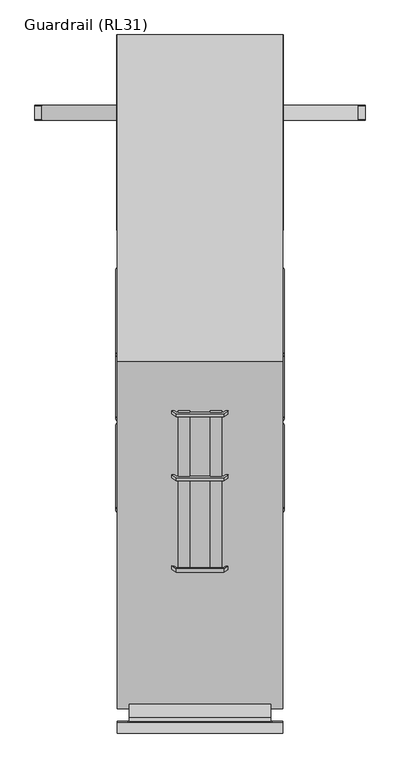
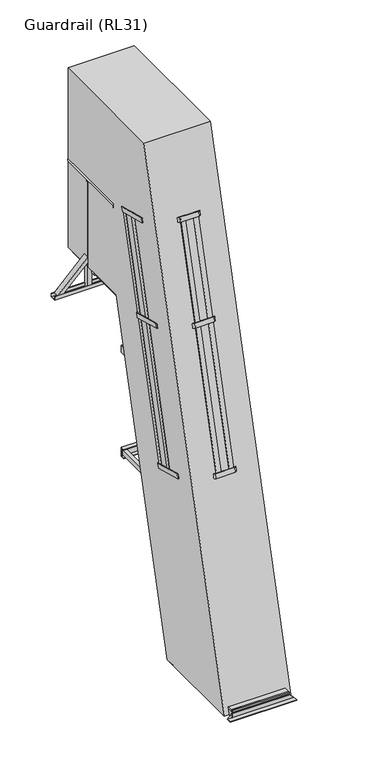
"""IFC4 building model written with IfcOpenShell, lengths in millimetres: proxy geometry, Guardrail (RL31)."""

from ifc_helpers import new_model, si_unit, point, frame, frame_2d, origin, origin_with_axes, place, context, project, spatial, polyline, circle_curve, trimmed, segment, composite_curve, outline, extrude, faceted_brep, source, transform, mapped, element, save
from ifc_brep_helpers import plane_surface, cylinder_surface, advanced_brep


def guardrail_rl31_33ffb687(model_context):
    return source(origin(), model_context, "Body", "SolidModel", [
        extrude(outline(polyline([(300.5, -1909.8221735), (-300.5, -1909.8221735), (-300.5, -909.8221735), (300.5, -909.8221735), (300.5, -1909.8221735)]), holes=[polyline([(262.5, -947.8221735), (-262.5, -947.8221735), (-262.5, -1390.8221735), (262.5, -1390.8221735), (262.5, -947.8221735)]), polyline([(262.5, -1871.8221735), (262.5, -1428.8221735), (-262.5, -1428.8221735), (-262.5, -1871.8221735), (262.5, -1871.8221735)])]), origin_with_axes(), (0.0, 0.0, 1.0), 58.0),
        faceted_brep([(-350.5, -906.8221735, 3.0), (-350.5, -909.8221735, 3.0), (-303.5, -909.8221735, 50.0), (-303.5, -906.8221735, 50.0), (350.5, -909.8221735, 3.0), (350.5, -906.8221735, 3.0), (303.5, -906.8221735, 50.0), (303.5, -909.8221735, 50.0), (350.5, -859.8221735, 0.0), (350.5, -859.8221735, 3.0), (350.5, -909.8221735, 0.0), (-350.5, -859.8221735, 0.0), (-350.5, -909.8221735, 0.0), (-350.5, -859.8221735, 3.0)], [[[0, 1, 2, 3]], [[4, 5, 6, 7]], [[8, 9, 5, 4, 10]], [[11, 12, 1, 0, 13]], [[9, 8, 11, 13]], [[5, 9, 13, 0]], [[5, 0, 3, 6]], [[6, 3, 2, 7]], [[12, 10, 4, 7, 2, 1]], [[8, 10, 12, 11]]]),
        faceted_brep([(-350.5, -1909.8221735, 3.0), (-350.5, -1912.8221735, 3.0), (-303.5, -1912.8221735, 50.0), (-303.5, -1909.8221735, 50.0), (350.5, -1912.8221735, 3.0), (350.5, -1909.8221735, 3.0), (303.5, -1909.8221735, 50.0), (303.5, -1912.8221735, 50.0), (350.5, -1959.8221735, 0.0), (350.5, -1909.8221735, 0.0), (350.5, -1959.8221735, 3.0), (-350.5, -1959.8221735, 0.0), (-350.5, -1959.8221735, 3.0), (-350.5, -1909.8221735, 0.0)], [[[0, 1, 2, 3]], [[4, 5, 6, 7]], [[8, 9, 5, 4, 10]], [[11, 12, 1, 0, 13]], [[9, 8, 11, 13]], [[9, 13, 0, 3, 6, 5]], [[6, 3, 2, 7]], [[1, 4, 7, 2]], [[10, 4, 1, 12]], [[8, 10, 12, 11]]]),
        extrude(outline(polyline([(300.5, -927.8221735), (300.5, -1891.8221735), (-300.5, -1891.8221735), (-300.5, -927.8221735), (300.5, -927.8221735)])), frame((0.0, 0.0, 58.0), z_axis=(0.0, 0.0, 1.0), x_axis=(1.0, 0.0, 0.0)), (0.0, 0.0, 1.0), 18.5),
        extrude(outline(polyline([(300.5, -1891.8221735), (300.5, -1909.8221735), (-300.5, -1909.8221735), (-300.5, -1891.8221735), (300.5, -1891.8221735)])), frame((0.0, 0.0, 58.0), z_axis=(0.0, 0.0, 1.0), x_axis=(1.0, 0.0, 0.0)), (0.0, 0.0, 1.0), 18.5),
        extrude(outline(polyline([(300.5, -909.8221735), (300.5, -927.8221735), (-300.5, -927.8221735), (-300.5, -909.8221735), (300.5, -909.8221735)])), frame((0.0, 0.0, 58.0), z_axis=(0.0, 0.0, 1.0), x_axis=(1.0, 0.0, 0.0)), (0.0, 0.0, 1.0), 18.5),
        extrude(outline(polyline([(0.0, 0.0), (50.0000001, 0.0), (50.0000001, -12.0), (0.0, -12.0), (0.0, 0.0)])), frame((-350.5, -869.7150391, 2104.1512779), z_axis=(0.0, 0.2588190451025229, 0.9659258262890678), x_axis=(0.0, 0.9659258262890678, -0.2588190451025229)), (0.0, 0.0, 1.0), 2594.2680036),
        extrude(outline(polyline([(155.141329, 0.0), (205.141329, 0.0), (205.141329, -12.0), (155.141329, -12.0), (155.141329, 0.0)])), frame((-350.5, -869.7150391, 2104.1512779), z_axis=(0.0, 0.2588190451025229, 0.9659258262890678), x_axis=(0.0, 0.9659258262890678, -0.2588190451025229)), (0.0, 0.0, 1.0), 2594.2680036),
        extrude(outline(polyline([(-689.6938017, 0.0), (-508.9999999, 0.0), (-326.6307118, -82.9303487), (-125.331423, -385.8857785), (-123.1191169, -480.465669), (-65.9701383, -566.4748818), (-70.9675427, -569.7954163), (-129.0768962, -482.3408392), (-131.2892023, -387.7609487), (-330.6777006, -87.6812588), (-510.3001578, -6.0), (-687.8821736, -6.0), (-851.4445075, -114.6792916), (-920.2481735, -278.3907082), (-914.5411146, -475.6303711), (-715.1526164, -775.710061), (-628.8173362, -814.3942877), (-570.7079827, -901.8488647), (-575.7053871, -905.1693992), (-632.8543656, -819.1601865), (-719.1896458, -780.4759598), (-920.4889347, -477.52053), (-926.2832673, -277.2646295), (-856.2739484, -110.6844828), (-689.6938017, 0.0)])), frame((-674.4464732, -521.7680377, 3557.8992312), z_axis=(0.0, 0.2588190451025229, 0.9659258262890678), x_axis=(-0.8329007332923329, 0.5345650026725305, -0.1432362607680453)), (0.0, 0.0, 1.0), 50.0),
        extrude(outline(polyline([(273.0, 0.0), (423.5, -100.0), (529.5, -270.0), (529.5, -633.7353379), (479.0, -713.7353379), (479.0, -817.0), (473.0, -817.0), (473.0, -712.0), (523.5, -632.0), (523.5, -271.7173421), (419.0965631, -104.2778679), (271.1883719, -6.0), (74.8116281, -6.0), (-73.0965631, -104.2778679), (-177.5, -271.7173421), (-177.5, -632.0), (-127.0, -712.0), (-127.0, -817.0), (-133.0, -817.0), (-133.0, -713.7353379), (-183.5, -633.7353379), (-183.5, -270.0), (-77.5, -100.0), (73.0, 0.0), (273.0, 0.0)])), frame((173.0, -1277.1992245, 2213.3363363), z_axis=(0.0, 0.2588190451025229, 0.9659258262890678), x_axis=(-1.0, 0.0, 0.0)), (0.0, 0.0, 1.0), 50.0),
        extrude(outline(polyline([(-6.613021, 0.0), (5.3869789, 0.0), (5.3869789, -50.0), (-6.613021, -50.0), (-6.613021, 0.0)])), frame((-93.1883719, -1265.0159817, 2210.0718462), z_axis=(0.0, 0.2588190451025229, 0.9659258262890678), x_axis=(0.0, 0.9659258262890678, -0.2588190451025229)), (0.0, 0.0, 1.0), 2594.2680036),
        extrude(outline(polyline([(218.7828094, 218.028353), (212.433594, 228.2110571), (254.8615277, 254.6661216), (261.2107432, 244.4834176), (218.7828094, 218.028353)])), frame((-93.1883719, -1265.0159817, 2210.0718462), z_axis=(0.0, 0.2588190451025229, 0.9659258262890678), x_axis=(0.0, 0.9659258262890678, -0.2588190451025229)), (0.0, 0.0, 1.0), 2594.2680036),
        extrude(outline(polyline([(61.2266141, 107.0986509), (88.8977348, 148.7436876), (98.8925436, 142.1026186), (71.2214228, 100.4575819), (61.2266141, 107.0986509)])), frame((-93.1883719, -1265.0159817, 2210.0718462), z_axis=(0.0, 0.2588190451025229, 0.9659258262890678), x_axis=(0.0, 0.9659258262890678, -0.2588190451025229)), (0.0, 0.0, 1.0), 2594.2680036),
        extrude(outline(polyline([(-6.613021, -186.3767438), (-6.613021, -136.3767438), (5.3869789, -136.3767438), (5.3869789, -186.3767438), (-6.613021, -186.3767438)])), frame((-93.1883719, -1265.0159817, 2210.0718462), z_axis=(0.0, 0.2588190451025229, 0.9659258262890678), x_axis=(0.0, 0.9659258262890678, -0.2588190451025229)), (0.0, 0.0, 1.0), 2594.2680036),
        extrude(outline(polyline([(218.7828094, -404.4050968), (261.2107432, -430.8601614), (254.8615277, -441.0428654), (212.433594, -414.5878009), (218.7828094, -404.4050968)])), frame((-93.1883719, -1265.0159817, 2210.0718462), z_axis=(0.0, 0.2588190451025229, 0.9659258262890678), x_axis=(0.0, 0.9659258262890678, -0.2588190451025229)), (0.0, 0.0, 1.0), 2594.2680036),
        extrude(outline(polyline([(61.2266141, -293.4753947), (71.2214228, -286.8343257), (98.8925436, -328.4793624), (88.8977348, -335.1204314), (61.2266141, -293.4753947)])), frame((-93.1883719, -1265.0159817, 2210.0718462), z_axis=(0.0, 0.2588190451025229, 0.9659258262890678), x_axis=(0.0, 0.9659258262890678, -0.2588190451025229)), (0.0, 0.0, 1.0), 2594.2680036),
        extrude(outline(polyline([(409.24565, -443.6883719), (409.24565, -431.6883719), (459.2456501, -431.6883719), (459.2456501, -443.6883719), (409.24565, -443.6883719)])), frame((-93.1883719, -1265.0159817, 2210.0718462), z_axis=(0.0, 0.2588190451025229, 0.9659258262890678), x_axis=(0.0, 0.9659258262890678, -0.2588190451025229)), (0.0, 0.0, 1.0), 2594.2680036),
        extrude(outline(polyline([(564.3869789, -443.6883719), (564.3869789, -431.6883719), (614.3869789, -431.6883719), (614.3869789, -443.6883719), (564.3869789, -443.6883719)])), frame((-93.1883719, -1265.0159817, 2210.0718462), z_axis=(0.0, 0.2588190451025229, 0.9659258262890678), x_axis=(0.0, 0.9659258262890678, -0.2588190451025229)), (0.0, 0.0, 1.0), 2594.2680036),
        extrude(outline(polyline([(-689.6938017, 0.0), (-509.0, 1e-07), (-326.6307118, -82.9303487), (-125.331423, -385.8857784), (-123.1191169, -480.465669), (-65.9701383, -566.4748818), (-70.9675427, -569.7954163), (-129.0768962, -482.3408392), (-131.2892023, -387.7609487), (-330.6777006, -87.6812587), (-510.3001578, -6.0), (-687.8821737, -5.9999999), (-851.4445076, -114.6792916), (-920.2481735, -278.3907081), (-914.5411146, -475.630371), (-715.1526164, -775.710061), (-628.8173362, -814.3942877), (-570.7079827, -901.8488647), (-575.7053871, -905.1693992), (-632.8543657, -819.1601864), (-719.1896459, -780.4759597), (-920.4889347, -477.52053), (-926.2832674, -277.2646294), (-856.2739484, -110.6844828), (-689.6938017, 0.0)])), frame((-674.4464732, -250.0080403, 4572.1213488), z_axis=(0.0, 0.2588190451025229, 0.9659258262890679), x_axis=(-0.832900733292333, 0.5345650026725305, -0.1432362607680453)), (0.0, 0.0, 1.0), 50.0),
        extrude(outline(composite_curve([segment(polyline([(-214.9717521, 3204.5035392), (-210.5718283, 3220.9242783)]), True, "CONTINUOUS"), segment(trimmed(circle_curve(frame_2d((-192.1956789, 3202.5716773)), 25.9711538), [point((-210.5718283, 3220.9242783))], [point((-167.1051661, 3209.2774213))], False, "CARTESIAN"), True, "CONTINUOUS"), segment(polyline([(-167.1051661, 3209.2774213), (-171.5050899, 3192.8566822), (-214.9717521, 3204.5035392)]), True, "CONTINUOUS")], self_intersect=False)), frame((-262.0, 0.0, 0.0), z_axis=(1.0, 0.0, 0.0), x_axis=(0.0, 1.0, 0.0)), (0.0, 0.0, 1.0), 524.0),
        extrude(outline(composite_curve([segment(polyline([(-287.9456017, 2932.1614248), (-283.545678, 2948.5821638)]), True, "CONTINUOUS"), segment(trimmed(circle_curve(frame_2d((-265.1695285, 2930.2295628)), 25.9711538), [point((-283.545678, 2948.5821638))], [point((-240.0790158, 2936.9353068))], False, "CARTESIAN"), True, "CONTINUOUS"), segment(polyline([(-240.0790158, 2936.9353068), (-244.4789395, 2920.5145677), (-287.9456017, 2932.1614248)]), True, "CONTINUOUS")], self_intersect=False)), frame((-262.0, 0.0, 0.0), z_axis=(1.0, 0.0, 0.0), x_axis=(0.0, 1.0, 0.0)), (0.0, 0.0, 1.0), 524.0),
        extrude(outline(composite_curve([segment(polyline([(-360.9194514, 2659.8193103), (-356.5195276, 2676.2400493)]), True, "CONTINUOUS"), segment(trimmed(circle_curve(frame_2d((-338.1433782, 2657.8874483)), 25.9711538), [point((-356.5195276, 2676.2400493))], [point((-313.0528654, 2664.5931923))], False, "CARTESIAN"), True, "CONTINUOUS"), segment(polyline([(-313.0528654, 2664.5931923), (-317.4527892, 2648.1724533), (-360.9194514, 2659.8193103)]), True, "CONTINUOUS")], self_intersect=False)), frame((-262.0, 0.0, 0.0), z_axis=(1.0, 0.0, 0.0), x_axis=(0.0, 1.0, 0.0)), (0.0, 0.0, 1.0), 524.0),
        extrude(outline(composite_curve([segment(polyline([(-433.893301, 2387.4771958), (-429.4933772, 2403.8979349)]), True, "CONTINUOUS"), segment(trimmed(circle_curve(frame_2d((-411.1172278, 2385.5453338)), 25.9711538), [point((-429.4933772, 2403.8979349))], [point((-386.0267151, 2392.2510778))], False, "CARTESIAN"), True, "CONTINUOUS"), segment(polyline([(-386.0267151, 2392.2510778), (-390.4266388, 2375.8303388), (-433.893301, 2387.4771958)]), True, "CONTINUOUS")], self_intersect=False)), frame((-262.0, 0.0, 0.0), z_axis=(1.0, 0.0, 0.0), x_axis=(0.0, 1.0, 0.0)), (0.0, 0.0, 1.0), 524.0),
        extrude(outline(composite_curve([segment(polyline([(-506.8671506, 2115.1350813), (-502.4672269, 2131.5558204)]), True, "CONTINUOUS"), segment(trimmed(circle_curve(frame_2d((-484.0910774, 2113.2032194)), 25.9711538), [point((-502.4672269, 2131.5558204))], [point((-459.0005647, 2119.9089633))], False, "CARTESIAN"), True, "CONTINUOUS"), segment(polyline([(-459.0005647, 2119.9089633), (-463.4004885, 2103.4882243), (-506.8671506, 2115.1350813)]), True, "CONTINUOUS")], self_intersect=False)), frame((-262.0, 0.0, 0.0), z_axis=(1.0, 0.0, 0.0), x_axis=(0.0, 1.0, 0.0)), (0.0, 0.0, 1.0), 524.0),
        extrude(outline(composite_curve([segment(polyline([(-579.8410003, 1842.7929669), (-575.4410765, 1859.2137059)]), True, "CONTINUOUS"), segment(trimmed(circle_curve(frame_2d((-557.0649271, 1840.8611049)), 25.9711538), [point((-575.4410765, 1859.2137059))], [point((-531.9744143, 1847.5668489))], False, "CARTESIAN"), True, "CONTINUOUS"), segment(polyline([(-531.9744143, 1847.5668489), (-536.3743381, 1831.1461098), (-579.8410003, 1842.7929669)]), True, "CONTINUOUS")], self_intersect=False)), frame((-262.0, 0.0, 0.0), z_axis=(1.0, 0.0, 0.0), x_axis=(0.0, 1.0, 0.0)), (0.0, 0.0, 1.0), 524.0),
        extrude(outline(composite_curve([segment(polyline([(-652.8148499, 1570.4508524), (-648.4149262, 1586.8715914)]), True, "CONTINUOUS"), segment(trimmed(circle_curve(frame_2d((-630.0387767, 1568.5189904)), 25.9711538), [point((-648.4149262, 1586.8715914))], [point((-604.948264, 1575.2247344))], False, "CARTESIAN"), True, "CONTINUOUS"), segment(polyline([(-604.948264, 1575.2247344), (-609.3481877, 1558.8039953), (-652.8148499, 1570.4508524)]), True, "CONTINUOUS")], self_intersect=False)), frame((-262.0, 0.0, 0.0), z_axis=(1.0, 0.0, 0.0), x_axis=(0.0, 1.0, 0.0)), (0.0, 0.0, 1.0), 524.0),
        extrude(outline(composite_curve([segment(polyline([(-725.7886996, 1298.1087379), (-721.3887758, 1314.5294769)]), True, "CONTINUOUS"), segment(trimmed(circle_curve(frame_2d((-703.0126264, 1296.1768759)), 25.9711538), [point((-721.3887758, 1314.5294769))], [point((-677.9221136, 1302.8826199))], False, "CARTESIAN"), True, "CONTINUOUS"), segment(polyline([(-677.9221136, 1302.8826199), (-682.3220374, 1286.4618809), (-725.7886996, 1298.1087379)]), True, "CONTINUOUS")], self_intersect=False)), frame((-262.0, 0.0, 0.0), z_axis=(1.0, 0.0, 0.0), x_axis=(0.0, 1.0, 0.0)), (0.0, 0.0, 1.0), 524.0),
        extrude(outline(composite_curve([segment(polyline([(-798.7625492, 1025.7666234), (-794.3626254, 1042.1873625)]), True, "CONTINUOUS"), segment(trimmed(circle_curve(frame_2d((-775.986476, 1023.8347614)), 25.9711538), [point((-794.3626254, 1042.1873625))], [point((-750.8959633, 1030.5405054))], False, "CARTESIAN"), True, "CONTINUOUS"), segment(polyline([(-750.8959633, 1030.5405054), (-755.295887, 1014.1197664), (-798.7625492, 1025.7666234)]), True, "CONTINUOUS")], self_intersect=False)), frame((-262.0, 0.0, 0.0), z_axis=(1.0, 0.0, 0.0), x_axis=(0.0, 1.0, 0.0)), (0.0, 0.0, 1.0), 524.0),
        extrude(outline(composite_curve([segment(polyline([(-871.7363988, 753.4245089), (-867.3364751, 769.845248)]), True, "CONTINUOUS"), segment(trimmed(circle_curve(frame_2d((-848.9603256, 751.492647)), 25.9711538), [point((-867.3364751, 769.845248))], [point((-823.8698129, 758.198391))], False, "CARTESIAN"), True, "CONTINUOUS"), segment(polyline([(-823.8698129, 758.198391), (-828.2697367, 741.7776519), (-871.7363988, 753.4245089)]), True, "CONTINUOUS")], self_intersect=False)), frame((-262.0, 0.0, 0.0), z_axis=(1.0, 0.0, 0.0), x_axis=(0.0, 1.0, 0.0)), (0.0, 0.0, 1.0), 524.0),
        extrude(outline(composite_curve([segment(polyline([(-944.7102485, 481.0823945), (-940.3103247, 497.5031335)]), True, "CONTINUOUS"), segment(trimmed(circle_curve(frame_2d((-921.9341753, 479.1505325)), 25.9711538), [point((-940.3103247, 497.5031335))], [point((-896.8436625, 485.8562765))], False, "CARTESIAN"), True, "CONTINUOUS"), segment(polyline([(-896.8436625, 485.8562765), (-901.2435863, 469.4355374), (-944.7102485, 481.0823945)]), True, "CONTINUOUS")], self_intersect=False)), frame((-262.0, 0.0, 0.0), z_axis=(1.0, 0.0, 0.0), x_axis=(0.0, 1.0, 0.0)), (0.0, 0.0, 1.0), 524.0),
        extrude(outline(composite_curve([segment(polyline([(-141.9979024, 3476.8456537), (-137.5979787, 3493.2663928)]), True, "CONTINUOUS"), segment(trimmed(circle_curve(frame_2d((-119.2218292, 3474.9137918)), 25.9711538), [point((-137.5979787, 3493.2663928))], [point((-94.1313165, 3481.6195357))], False, "CARTESIAN"), True, "CONTINUOUS"), segment(polyline([(-94.1313165, 3481.6195357), (-98.5312403, 3465.1987967), (-141.9979024, 3476.8456537)]), True, "CONTINUOUS")], self_intersect=False)), frame((-262.0, 0.0, 0.0), z_axis=(1.0, 0.0, 0.0), x_axis=(0.0, 1.0, 0.0)), (0.0, 0.0, 1.0), 524.0),
        extrude(outline(composite_curve([segment(polyline([(-1017.6840981, 208.74028), (-1013.2841744, 225.161019)]), True, "CONTINUOUS"), segment(trimmed(circle_curve(frame_2d((-994.9080249, 206.808418)), 25.9711538), [point((-1013.2841744, 225.161019))], [point((-969.8175122, 213.514162))], False, "CARTESIAN"), True, "CONTINUOUS"), segment(polyline([(-969.8175122, 213.514162), (-974.2174359, 197.0934229), (-1017.6840981, 208.74028)]), True, "CONTINUOUS")], self_intersect=False)), frame((-262.0, 0.0, 0.0), z_axis=(1.0, 0.0, 0.0), x_axis=(0.0, 1.0, 0.0)), (0.0, 0.0, 1.0), 524.0),
        extrude(outline(polyline([(-38.0, 0.0), (0.0, 0.0), (0.0, -58.0), (-38.0, -58.0), (-38.0, 0.0)])), frame((262.0, -1055.0209014, 94.5115046), z_axis=(0.0, 0.2588190451025095, 0.9659258262890713), x_axis=(-1.0, 0.0, 0.0)), (0.0, 0.0, 1.0), 4583.3916485),
        extrude(outline(polyline([(-38.0, 0.0), (0.0, 0.0), (0.0, -58.0), (-38.0, -58.0), (-38.0, 0.0)])), frame((-300.0, -1055.0209014, 94.5115046), z_axis=(0.0, 0.2588190451025095, 0.9659258262890713), x_axis=(-1.0, 0.0, 0.0)), (0.0, 0.0, 1.0), 4583.3916485),
        faceted_brep([(-303.5, -1249.8240603, 76.5), (-250.5, -1249.8240603, 76.5), (-250.5, -1249.8240603, 79.5), (-300.5, -1249.8240603, 79.5), (-303.5, -1249.8240603, 79.5), (-300.5, -889.8240603, 79.5), (-250.5, -889.8240603, 79.5), (-250.5, -889.8240603, 76.5), (-303.5, -889.8240603, 76.5), (-303.5, -889.8240603, 79.5), (-300.5, -1202.8240603, 126.5), (-300.5, -936.8240603, 126.5), (-303.5, -936.8240603, 126.5), (-303.5, -1202.8240603, 126.5)], [[[0, 1, 2, 3, 4]], [[5, 6, 7, 8, 9]], [[10, 11, 12, 13]], [[8, 0, 4, 13, 12, 9]], [[1, 0, 8, 7]], [[2, 1, 7, 6]], [[3, 2, 6, 5]], [[3, 5, 11, 10]], [[5, 9, 12, 11]], [[4, 3, 10, 13]]]),
        faceted_brep([(300.5, -1249.8240603, 79.5), (250.5, -1249.8240603, 79.5), (250.5, -1249.8240603, 76.5), (303.5, -1249.8240603, 76.5), (303.5, -1249.8240603, 79.5), (303.5, -889.8240603, 76.5), (250.5, -889.8240603, 76.5), (250.5, -889.8240603, 79.5), (300.5, -889.8240603, 79.5), (303.5, -889.8240603, 79.5), (303.5, -936.8240603, 126.5), (303.5, -1202.8240603, 126.5), (300.5, -936.8240603, 126.5), (300.5, -1202.8240603, 126.5)], [[[0, 1, 2, 3, 4]], [[5, 6, 7, 8, 9]], [[1, 0, 8, 7]], [[2, 1, 7, 6]], [[3, 2, 6, 5]], [[3, 5, 9, 10, 11, 4]], [[11, 10, 12, 13]], [[8, 0, 13, 12]], [[9, 8, 12, 10]], [[0, 4, 11, 13]]]),
        advanced_brep(
        [(309.5, 1000.0, 3986.25), (309.5, 1000.0, 3959.75), (309.5, 41.3809842, 3986.25), (309.5, 41.3809842, 3959.75), (294.5187617, 41.3809842, 3993.0)],
        [
            (0, 1),
            (1, 0, circle_curve(frame((294.5187617, 1000.0, 3973.0), z_axis=(0.0, 1.0, 0.0), x_axis=(-1.0, 0.0, 0.0)), 20.0)),
            (0, 2),
            (2, 3),
            (3, 1),
            (3, 4, circle_curve(frame((294.5187617, 41.3809842, 3973.0), z_axis=(0.0, 1.0, 0.0), x_axis=(-1.0, 0.0, 0.0)), 20.0)),
            (4, 2, circle_curve(frame((294.5187617, 41.3809842, 3973.0), z_axis=(0.0, 1.0, 0.0), x_axis=(-1.0, 0.0, 0.0)), 20.0)),
        ],
        [
            plane_surface(frame((274.5187617, 1000.0, 3973.0), z_axis=(0.0, 1.0, 0.0), x_axis=(0.0, 0.0, 1.0))),
            plane_surface(frame((309.5, 0.0, 3959.75), z_axis=(1.0, 0.0, 0.0), x_axis=(0.0, 1.0, 0.0))),
            cylinder_surface(frame((294.5187617, 1000.0, 3973.0), z_axis=(0.0, -1.0, 0.0), x_axis=(-1.0, 0.0, 0.0)), 20.0),
            plane_surface(frame((372.2487373, 41.3809842, 3500.0), z_axis=(0.0, -1.0, 0.0), x_axis=(-1.0, 0.0, 0.0))),
        ],
        [
            (0, [[1, 2]]),
            (1, [[-1, 3, 4, 5]]),
            (2, [[-2, -5, 6, 7, -3]]),
            (3, [[-4, -7, -6]]),
        ],
    ),
        advanced_brep(
        [(-309.5, 1000.0, 3986.25), (-309.5, 1000.0, 3959.75), (-309.5, 41.3809842, 3959.75), (-309.5, 41.3809842, 3986.25), (-294.5187617, 41.3809842, 3993.0)],
        [
            (0, 1, circle_curve(frame((-294.5187617, 1000.0, 3973.0), z_axis=(0.0, 1.0, 0.0), x_axis=(1.0, 0.0, 0.0)), 20.0)),
            (1, 0),
            (1, 2),
            (2, 3),
            (3, 0),
            (3, 4, circle_curve(frame((-294.5187617, 41.3809842, 3973.0), z_axis=(0.0, 1.0, 0.0), x_axis=(1.0, 0.0, 0.0)), 20.0)),
            (4, 2, circle_curve(frame((-294.5187617, 41.3809842, 3973.0), z_axis=(0.0, 1.0, 0.0), x_axis=(1.0, 0.0, 0.0)), 20.0)),
        ],
        [
            plane_surface(frame((-309.5, 1000.0, 3959.75), z_axis=(0.0, 1.0, 0.0), x_axis=(0.0, 0.0, 1.0))),
            plane_surface(frame((-309.5, 0.0, 3986.25), z_axis=(-1.0, 0.0, 0.0), x_axis=(0.0, 1.0, 0.0))),
            cylinder_surface(frame((-294.5187617, 1000.0, 3973.0), z_axis=(0.0, -1.0, 0.0), x_axis=(1.0, 0.0, 0.0)), 20.0),
            plane_surface(frame((372.2487373, 41.3809842, 3500.0), z_axis=(0.0, -1.0, 0.0), x_axis=(-1.0, 0.0, 0.0))),
        ],
        [
            (0, [[1, 2]]),
            (1, [[-2, 3, 4, 5]]),
            (2, [[-1, -5, 6, 7, -3]]),
            (3, [[-4, -7, -6]]),
        ],
    ),
        advanced_brep(
        [(349.5, 1000.0, 4461.43534), (349.5, 1000.0, 4443.0), (307.5, 1000.0, 4443.0), (307.5, 1000.0, 4461.43534), (349.5, 172.6760885, 4461.43534), (349.5, 172.6760885, 4443.0), (307.5, 172.6760885, 4443.0), (307.5, 172.6760885, 4461.43534), (328.5, 172.6760885, 4500.0)],
        [
            (0, 1),
            (1, 2),
            (2, 3),
            (3, 0, circle_curve(frame((328.5, 1000.0, 4475.0), z_axis=(0.0, 1.0, 0.0), x_axis=(-1.0, 0.0, 0.0)), 25.0)),
            (0, 4),
            (4, 5),
            (5, 1),
            (5, 6),
            (6, 2),
            (6, 7),
            (7, 3),
            (7, 8, circle_curve(frame((328.5, 172.6760885, 4475.0), z_axis=(0.0, 1.0, 0.0), x_axis=(-1.0, 0.0, 0.0)), 25.0)),
            (8, 4, circle_curve(frame((328.5, 172.6760885, 4475.0), z_axis=(0.0, 1.0, 0.0), x_axis=(-1.0, 0.0, 0.0)), 25.0)),
        ],
        [
            plane_surface(frame((303.5, 1000.0, 4475.0), z_axis=(0.0, 1.0, 0.0), x_axis=(0.0, 0.0, 1.0))),
            plane_surface(frame((349.5, 0.0, 4443.0), z_axis=(1.0, 0.0, 0.0), x_axis=(0.0, 1.0, 0.0))),
            plane_surface(frame((307.5, 0.0, 4443.0), z_axis=(0.0, 0.0, -1.0), x_axis=(0.0, 1.0, 0.0))),
            plane_surface(frame((307.5, 0.0, 4461.43534), z_axis=(-1.0, 0.0, 0.0), x_axis=(0.0, 1.0, 0.0))),
            cylinder_surface(frame((328.5, 1000.0, 4475.0), z_axis=(0.0, -1.0, 0.0), x_axis=(-1.0, 0.0, 0.0)), 25.0),
            plane_surface(frame((372.2487373, 172.6760885, 4443.0), z_axis=(0.0, -1.0, 0.0), x_axis=(-1.0, 0.0, 0.0))),
        ],
        [
            (0, [[1, 2, 3, 4]]),
            (1, [[-1, 5, 6, 7]]),
            (2, [[-2, -7, 8, 9]]),
            (3, [[-3, -9, 10, 11]]),
            (4, [[-4, -11, 12, 13, -5]]),
            (5, [[-6, -13, -12, -10, -8]]),
        ],
    ),
        advanced_brep(
        [(-349.5, 1000.0, 4461.43534), (-307.5, 1000.0, 4461.43534), (-307.5, 1000.0, 4443.0), (-349.5, 1000.0, 4443.0), (-349.5, 172.6760885, 4443.0), (-349.5, 172.6760885, 4461.43534), (-307.5, 172.6760885, 4443.0), (-307.5, 172.6760885, 4461.43534), (-328.5, 172.6760885, 4500.0)],
        [
            (0, 1, circle_curve(frame((-328.5, 1000.0, 4475.0), z_axis=(0.0, 1.0, 0.0), x_axis=(1.0, 0.0, 0.0)), 25.0)),
            (1, 2),
            (2, 3),
            (3, 0),
            (3, 4),
            (4, 5),
            (5, 0),
            (2, 6),
            (6, 4),
            (1, 7),
            (7, 6),
            (5, 8, circle_curve(frame((-328.5, 172.6760885, 4475.0), z_axis=(0.0, 1.0, 0.0), x_axis=(1.0, 0.0, 0.0)), 25.0)),
            (8, 7, circle_curve(frame((-328.5, 172.6760885, 4475.0), z_axis=(0.0, 1.0, 0.0), x_axis=(1.0, 0.0, 0.0)), 25.0)),
        ],
        [
            plane_surface(frame((-349.5, 1000.0, 4443.0), z_axis=(0.0, 1.0, 0.0), x_axis=(0.0, 0.0, 1.0))),
            plane_surface(frame((-349.5, 0.0, 4461.43534), z_axis=(-1.0, 0.0, 0.0), x_axis=(0.0, 1.0, 0.0))),
            plane_surface(frame((-349.5, 0.0, 4443.0), z_axis=(0.0, 0.0, -1.0), x_axis=(0.0, 1.0, 0.0))),
            plane_surface(frame((-307.5, 0.0, 4443.0), z_axis=(1.0, 0.0, 0.0), x_axis=(0.0, 1.0, 0.0))),
            cylinder_surface(frame((-328.5, 1000.0, 4475.0), z_axis=(0.0, -1.0, 0.0), x_axis=(1.0, 0.0, 0.0)), 25.0),
            plane_surface(frame((372.2487373, 172.6760885, 4443.0), z_axis=(0.0, -1.0, 0.0), x_axis=(-1.0, 0.0, 0.0))),
        ],
        [
            (0, [[1, 2, 3, 4]]),
            (1, [[-4, 5, 6, 7]]),
            (2, [[-3, 8, 9, -5]]),
            (3, [[-2, 10, 11, -8]]),
            (4, [[-1, -7, 12, 13, -10]]),
            (5, [[-6, -9, -11, -13, -12]]),
        ],
    ),
        extrude(outline(polyline([(300.0, 1000.0), (300.0, -80.0), (-300.0, -80.0), (-300.0, 1000.0), (300.0, 1000.0)]), holes=[polyline([(262.0, 962.0), (-262.0, 962.0), (-262.0, -42.0), (262.0, -42.0), (262.0, 962.0)])]), frame((0.0, 0.0, 3424.2375855), z_axis=(0.0, 0.0, 1.0), x_axis=(1.0, 0.0, 0.0)), (0.0, 0.0, 1.0), 57.2624145),
        extrude(outline(polyline([(702.5, 3288.0), (702.5, 3250.0), (637.5, 3250.0), (637.5, 3288.0), (640.5, 3288.0), (640.5, 3253.0), (699.5, 3253.0), (699.5, 3288.0), (702.5, 3288.0)])), frame((-700.0, 0.0, 0.0), z_axis=(1.0, 0.0, 0.0), x_axis=(0.0, 1.0, 0.0)), (0.0, 0.0, 1.0), 1400.0),
        extrude(outline(polyline([(-29.0, -38.0), (-32.0, -38.0), (-32.0, 0.0), (32.0, 0.0), (32.0, -38.0), (29.0, -38.0), (29.0, -2.9999999), (-29.0, -2.9999999), (-29.0, -38.0)])), frame((670.0, 670.0, 3288.0), z_axis=(-0.7071067811865461, 0.0, 0.7071067811865491), x_axis=(0.0, -1.0, 0.0)), (0.0, 0.0, 1.0), 456.0838739),
        extrude(outline(polyline([(-29.0, 38.0), (-29.0, 2.9999999), (29.0, 2.9999999), (29.0, 38.0), (32.0, 38.0), (32.0, 0.0), (-32.0, 0.0), (-32.0, 38.0), (-29.0, 38.0)])), frame((-670.0, 670.0, 3288.0), z_axis=(0.7071067811865526, 0.0, 0.7071067811865425), x_axis=(0.0, -1.0, 0.0)), (0.0, 0.0, 1.0), 456.0838739),
        extrude(outline(polyline([(347.5, 699.0), (347.5, 641.0), (309.5, 641.0), (309.5, 699.0), (347.5, 699.0)])), frame((0.0, 0.0, 3253.0), z_axis=(0.0, 0.0, 1.0), x_axis=(1.0, 0.0, 0.0)), (0.0, 0.0, 1.0), 1190.0),
        extrude(outline(polyline([(347.5, 699.0), (347.5, 641.0), (309.5, 641.0), (309.5, 699.0), (347.5, 699.0)])), frame((0.0, 0.0, 3253.0), z_axis=(0.0, 0.0, 1.0), x_axis=(1.0, 0.0, 0.0)), (0.0, 0.0, 1.0), 1190.0),
        extrude(outline(polyline([(-309.5, 699.0), (-309.5, 641.0), (-347.5, 641.0), (-347.5, 699.0), (-309.5, 699.0)])), frame((0.0, 0.0, 3253.0), z_axis=(0.0, 0.0, 1.0), x_axis=(1.0, 0.0, 0.0)), (0.0, 0.0, 1.0), 1190.0),
        extrude(outline(polyline([(-309.5, 699.0), (-309.5, 641.0), (-347.5, 641.0), (-347.5, 699.0), (-309.5, 699.0)])), frame((0.0, 0.0, 3253.0), z_axis=(0.0, 0.0, 1.0), x_axis=(1.0, 0.0, 0.0)), (0.0, 0.0, 1.0), 1190.0),
        extrude(outline(polyline([(300.0, 1000.0), (300.0, -80.0), (-300.0, -80.0), (-300.0, 1000.0), (300.0, 1000.0)])), frame((0.0, 0.0, 3481.5), z_axis=(0.0, 0.0, 1.0), x_axis=(1.0, 0.0, 0.0)), (0.0, 0.0, 1.0), 18.5),
        extrude(outline(polyline([(0.0, -75.0156698), (0.0, 0.0), (6.0, 0.0), (6.0, -75.0156698), (0.0, -75.0156698)])), frame((300.0, -18.0012303, 3424.2375855), z_axis=(0.0, -0.22820939732088105, 0.9736120741724809), x_axis=(1.0, 0.0, 0.0)), (0.0, 0.0, 1.0), 56.5477611),
        extrude(outline(polyline([(0.0, -75.0156698), (0.0, 0.0), (6.0, 0.0), (6.0, -75.0156698), (0.0, -75.0156698)])), frame((-300.0, -91.0373922, 3407.1183047), z_axis=(0.0, -0.22820939732088125, 0.9736120741724809), x_axis=(-1.0, 0.0, 0.0)), (0.0, 0.0, 1.0), 56.5477611),
        extrude(outline(polyline([(300.0, 590.0), (300.0, 750.0), (309.5, 750.0), (309.5, 590.0), (300.0, 590.0)])), frame((0.0, 0.0, 3420.0), z_axis=(0.0, 0.0, 1.0), x_axis=(1.0, 0.0, 0.0)), (0.0, 0.0, 1.0), 80.0),
        extrude(outline(polyline([(300.0, 590.0), (300.0, 750.0), (309.5, 750.0), (309.5, 590.0), (300.0, 590.0)])), frame((0.0, 0.0, 3420.0), z_axis=(0.0, 0.0, 1.0), x_axis=(1.0, 0.0, 0.0)), (0.0, 0.0, 1.0), 80.0),
        extrude(outline(polyline([(-300.0, 750.0), (-300.0, 590.0), (-309.5, 590.0), (-309.5, 750.0), (-300.0, 750.0)])), frame((0.0, 0.0, 3420.0), z_axis=(0.0, 0.0, 1.0), x_axis=(1.0, 0.0, 0.0)), (0.0, 0.0, 1.0), 80.0),
        extrude(outline(polyline([(-300.0, 750.0), (-300.0, 590.0), (-309.5, 590.0), (-309.5, 750.0), (-300.0, 750.0)])), frame((0.0, 0.0, 3420.0), z_axis=(0.0, 0.0, 1.0), x_axis=(1.0, 0.0, 0.0)), (0.0, 0.0, 1.0), 80.0),
        extrude(outline(polyline([(262.0, 540.5), (262.0, 502.5), (-262.0, 502.5), (-262.0, 540.5), (262.0, 540.5)])), frame((0.0, 0.0, 3423.5), z_axis=(0.0, 0.0, 1.0), x_axis=(1.0, 0.0, 0.0)), (0.0, 0.0, 1.0), 58.0),
        extrude(outline(polyline([(306.5, 100.0), (306.5, -272.7695155), (300.5, -272.7695155), (300.5, 95.0), (-300.5, 95.0), (-300.5, -272.7695155), (-306.5, -272.7695155), (-306.5, 100.0), (306.5, 100.0)])), frame((0.0, 0.0, 2860.0), z_axis=(0.0, 0.0, 1.0), x_axis=(1.0, 0.0, 0.0)), (0.0, 0.0, 1.0), 80.0),
        extrude(outline(polyline([(-813.2439282, 0.0), (-1856.802318, 0.0), (-383.0817597, 5500.0), (1000.0, 5500.0), (1000.0, 3500.0), (124.5782453, 3500.0), (-813.2439282, 0.0)])), frame((-350.0, 0.0, 0.0), z_axis=(1.0, 0.0, 0.0), x_axis=(0.0, 1.0, 0.0)), (0.0, 0.0, 1.0), 700.0),
        extrude(outline(polyline([(100.0, 1800.0), (100.0, 1700.0), (55.0, 1700.0), (55.0, 1705.0), (95.0, 1705.0), (95.0, 1795.0), (55.0, 1795.0), (55.0, 1800.0), (100.0, 1800.0)])), frame((-306.5, 0.0, 0.0), z_axis=(1.0, 0.0, 0.0), x_axis=(0.0, 1.0, 0.0)), (0.0, 0.0, 1.0), 613.0),
        extrude(outline(polyline([(306.5, -530.9110868), (306.5, -580.9110868), (300.5, -580.9110868), (300.5, -530.9110868), (306.5, -530.9110868)])), frame((0.0, 0.0, 1721.0), z_axis=(0.0, 0.0, 1.0), x_axis=(1.0, 0.0, 0.0)), (0.0, 0.0, 1.0), 58.0),
        extrude(outline(polyline([(-306.5, -580.9110868), (-306.5, -530.9110868), (-300.5, -530.9110868), (-300.5, -580.9110868), (-306.5, -580.9110868)])), frame((0.0, 0.0, 1721.0), z_axis=(0.0, 0.0, 1.0), x_axis=(1.0, 0.0, 0.0)), (0.0, 0.0, 1.0), 58.0),
        extrude(outline(polyline([(300.5, 95.0), (300.5, -543.6175509), (262.5, -543.6175509), (262.5, 95.0), (300.5, 95.0)])), frame((0.0, 0.0, 1721.0), z_axis=(0.0, 0.0, 1.0), x_axis=(1.0, 0.0, 0.0)), (0.0, 0.0, 1.0), 58.0),
        extrude(outline(polyline([(-262.5, 95.0), (-262.5, -543.6175509), (-300.5, -543.6175509), (-300.5, 95.0), (-262.5, 95.0)])), frame((0.0, 0.0, 1721.0), z_axis=(0.0, 0.0, 1.0), x_axis=(1.0, 0.0, 0.0)), (0.0, 0.0, 1.0), 58.0),
    ])


if __name__ == "__main__":
    model = new_model("IFC4")
    model_context = context("Model", 3, world=origin())
    ifc_project = project(units=[si_unit("LENGTHUNIT", "METRE", prefix="MILLI")], contexts=[model_context])
    site = spatial("IfcSite", under=ifc_project)
    building = spatial("IfcBuilding", under=site)
    placement = place(None, origin())
    guardrail_rl31_shape = guardrail_rl31_33ffb687(model_context)
    element("IfcBuildingElementProxy", 1, Name="Guardrail (RL31)", ObjectType="Guardrail (RL31)", at=placement, inside=building, context=model_context, shape_type="MappedRepresentation", body=[
        mapped(guardrail_rl31_shape, transform((0.0, 0.0, 0.0), x_axis=(1.0, 0.0, 0.0), y_axis=(0.0, 1.0, 0.0), z_axis=(0.0, 0.0, 1.0))),
    ])
    save(model, "model.ifc")
